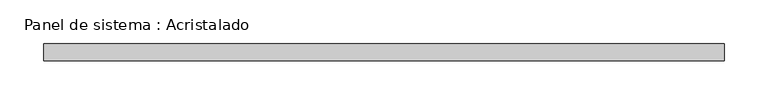
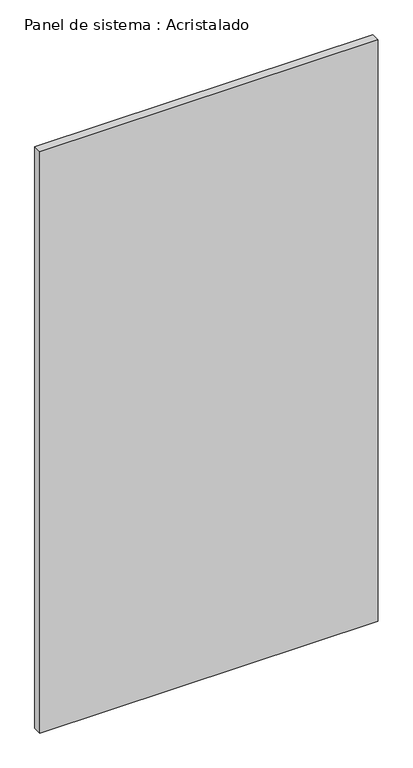
"""IFC4 building model written with IfcOpenShell, lengths in millimetres: plate geometry, Panel de sistema : Acristalado."""

from ifc_helpers import new_model, si_unit, origin, origin_with_axes, place, context, project, spatial, polyline, outline, extrude, source, transform, mapped, element, save


def panel_de_sistema_acristalado_25a61dc7(model_context):
    return source(origin(), model_context, "Body", "SweptSolid", [
        extrude(outline(polyline([(390.7752186, -10.0), (-390.7752186, -10.0), (-390.7752186, 10.0), (390.7752186, 10.0), (390.7752186, -10.0)])), origin_with_axes(), (0.0, 0.0, 1.0), 1419.2228533),
    ])


if __name__ == "__main__":
    model = new_model("IFC4")
    model_context = context("Model", 3, world=origin())
    ifc_project = project(units=[si_unit("LENGTHUNIT", "METRE", prefix="MILLI")], contexts=[model_context])
    site = spatial("IfcSite", under=ifc_project)
    building = spatial("IfcBuilding", under=site)
    placement = place(None, origin())
    panel_de_sistema_acristalado_shape = panel_de_sistema_acristalado_25a61dc7(model_context)
    element("IfcPlate", 1, ObjectType="Panel de sistema : Acristalado", at=placement, inside=building, context=model_context, shape_type="MappedRepresentation", body=[
        mapped(panel_de_sistema_acristalado_shape, transform((0.0, 0.0, 0.0), x_axis=(1.0, 0.0, 0.0), y_axis=(0.0, 1.0, 0.0), z_axis=(0.0, 0.0, 1.0))),
    ])
    save(model, "model.ifc")
